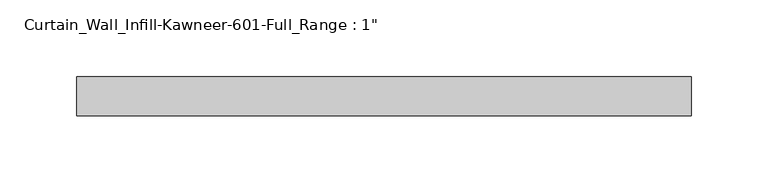
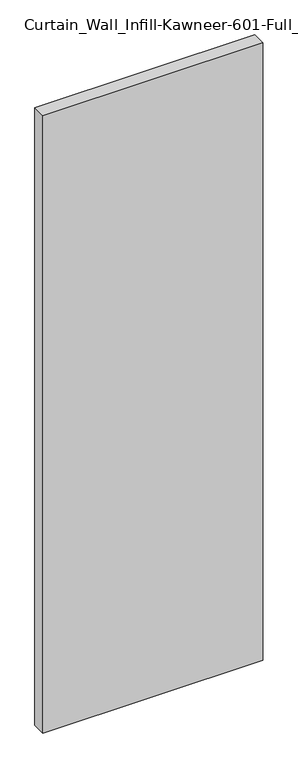
"""IFC4 building model written with IfcOpenShell, lengths in millimetres: plate geometry."""

from ifc_helpers import new_model, si_unit, origin, origin_with_axes, place, context, project, spatial, polyline, outline, extrude, source, transform, mapped, element, save


def plate_815b6273(model_context):
    return source(origin(), model_context, "Body", "SweptSolid", [
        extrude(outline(polyline([(-200.025, 12.7), (200.025, 12.7), (200.025, -12.7), (-200.025, -12.7), (-200.025, 12.7)])), origin_with_axes(), (0.0, 0.0, 1.0), 1187.45),
    ])


if __name__ == "__main__":
    model = new_model("IFC4")
    model_context = context("Model", 3, world=origin())
    ifc_project = project(units=[si_unit("LENGTHUNIT", "METRE", prefix="MILLI")], contexts=[model_context])
    site = spatial("IfcSite", under=ifc_project)
    building = spatial("IfcBuilding", under=site)
    placement = place(None, origin())
    plate_shape = plate_815b6273(model_context)
    element("IfcPlate", 1, ObjectType="Curtain_Wall_Infill-Kawneer-601-Full_Range : 1\"", at=placement, inside=building, context=model_context, shape_type="MappedRepresentation", body=[
        mapped(plate_shape, transform((0.0, 0.0, 0.0), x_axis=(1.0, 0.0, 0.0), y_axis=(0.0, 1.0, 0.0), z_axis=(0.0, 0.0, 1.0))),
    ])
    save(model, "model.ifc")
